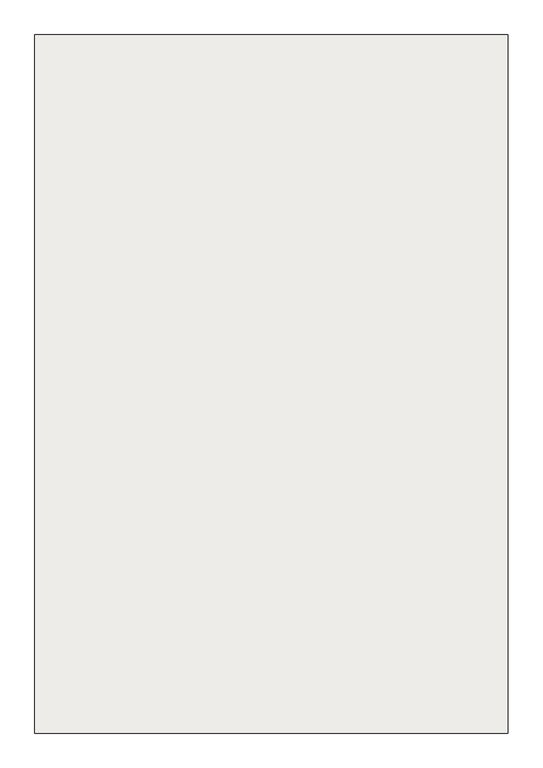
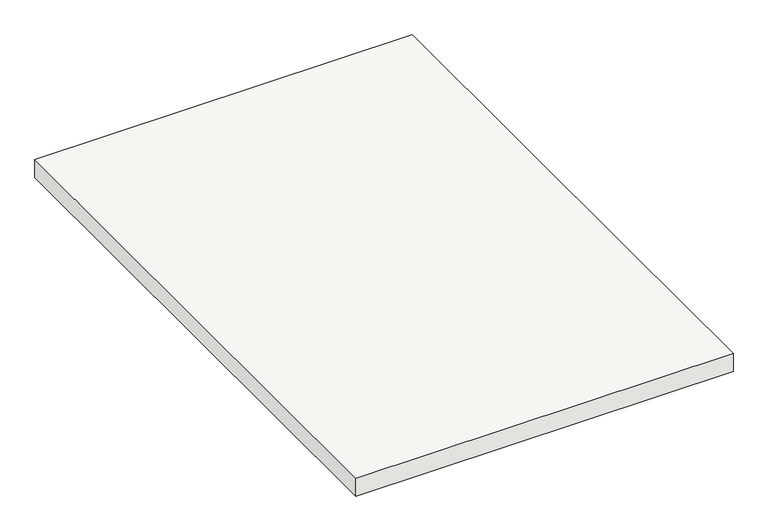
"""IFC4 building model written with IfcOpenShell, lengths in millimetres: slab geometry."""

from ifc_helpers import new_model, si_unit, frame, origin, place, context, project, spatial, polyline, outline, extrude, source, transform, mapped, element, save


def slab_03fde221(model_context):
    return source(origin(), model_context, "Body", "SweptSolid", [
        extrude(outline(polyline([(-5120.4675457, -18322.7019092), (-5120.4675457, -16848.2676251), (-4120.4675457, -16848.2676251), (-4120.4675457, -17848.2676251), (-4120.4675457, -18322.7019092), (-5120.4675457, -18322.7019092)])), frame((0.0, 0.0, 1950.0), z_axis=(0.0, 0.0, 1.0), x_axis=(1.0, 0.0, 0.0)), (0.0, 0.0, 1.0), 50.0),
    ])


if __name__ == "__main__":
    model = new_model("IFC4")
    model_context = context("Model", 3, world=origin())
    ifc_project = project(units=[si_unit("LENGTHUNIT", "METRE", prefix="MILLI")], contexts=[model_context])
    site = spatial("IfcSite", under=ifc_project)
    building = spatial("IfcBuilding", under=site)
    placement = place(None, origin())
    slab_shape = slab_03fde221(model_context)
    element("IfcSlab", 1, at=placement, inside=building, context=model_context, shape_type="MappedRepresentation", body=[
        mapped(slab_shape, transform((0.0, 0.0, 0.0), x_axis=(1.0, 0.0, 0.0), y_axis=(0.0, 1.0, 0.0), z_axis=(0.0, 0.0, 1.0))),
    ])
    save(model, "model.ifc")
